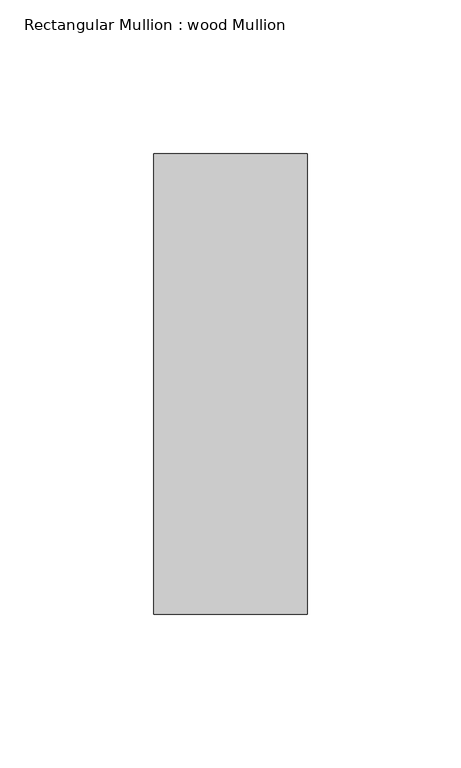
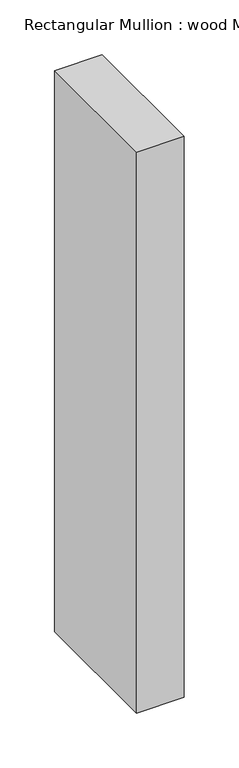
"""IFC4 building model written with IfcOpenShell, lengths in millimetres: member geometry, Rectangular Mullion : wood Mullion."""

from ifc_helpers import new_model, si_unit, frame, origin, place, context, project, spatial, polyline, outline, extrude, source, transform, mapped, element, save


def rectangular_mullion_wood_mullion_7171523c(model_context):
    return source(origin(), model_context, "Body", "SweptSolid", [
        extrude(outline(polyline([(0.0, 75.0), (0.0, -75.0), (-50.0, -75.0), (-50.0, 75.0), (0.0, 75.0)])), frame((0.0, 0.0, -625.0), z_axis=(0.0, 0.0, 1.0), x_axis=(1.0, 0.0, 0.0)), (0.0, 0.0, 1.0), 625.0),
    ])


if __name__ == "__main__":
    model = new_model("IFC4")
    model_context = context("Model", 3, world=origin())
    ifc_project = project(units=[si_unit("LENGTHUNIT", "METRE", prefix="MILLI")], contexts=[model_context])
    site = spatial("IfcSite", under=ifc_project)
    building = spatial("IfcBuilding", under=site)
    placement = place(None, origin())
    rectangular_mullion_wood_mullion_shape = rectangular_mullion_wood_mullion_7171523c(model_context)
    element("IfcMember", 1, ObjectType="Rectangular Mullion : wood Mullion", at=placement, inside=building, context=model_context, shape_type="MappedRepresentation", body=[
        mapped(rectangular_mullion_wood_mullion_shape, transform((0.0, 0.0, 0.0), x_axis=(1.0, 0.0, 0.0), y_axis=(0.0, 1.0, 0.0), z_axis=(0.0, 0.0, 1.0))),
    ])
    save(model, "model.ifc")
